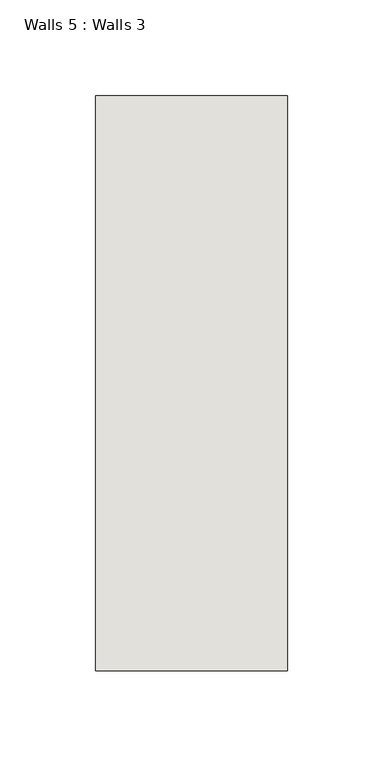
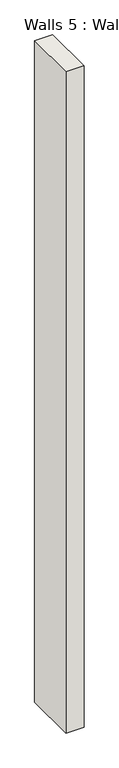
"""IFC4 building model written with IfcOpenShell, lengths in millimetres: wall geometry, Walls 5 : Walls 3."""

from ifc_helpers import new_model, si_unit, origin, origin_with_axes, place, context, project, spatial, polyline, outline, extrude, source, transform, mapped, element, save


def walls_5_walls_3_8d3d5341(model_context):
    return source(origin(), model_context, "Body", "SweptSolid", [
        extrude(outline(polyline([(-8212.3812655, 1518.41264), (-8212.3812655, 1818.41264), (-8112.3812655, 1818.41264), (-8112.3812655, 1518.41264), (-8212.3812655, 1518.41264)])), origin_with_axes(), (0.0, 0.0, 1.0), 3877.2548658),
    ])


if __name__ == "__main__":
    model = new_model("IFC4")
    model_context = context("Model", 3, world=origin())
    ifc_project = project(units=[si_unit("LENGTHUNIT", "METRE", prefix="MILLI")], contexts=[model_context])
    site = spatial("IfcSite", under=ifc_project)
    building = spatial("IfcBuilding", under=site)
    placement = place(None, origin())
    walls_5_walls_3_shape = walls_5_walls_3_8d3d5341(model_context)
    element("IfcWall", 1, ObjectType="Walls 5 : Walls 3", at=placement, inside=building, context=model_context, shape_type="MappedRepresentation", body=[
        mapped(walls_5_walls_3_shape, transform((0.0, 0.0, 0.0), x_axis=(1.0, 0.0, 0.0), y_axis=(0.0, 1.0, 0.0), z_axis=(0.0, 0.0, 1.0))),
    ])
    save(model, "model.ifc")
